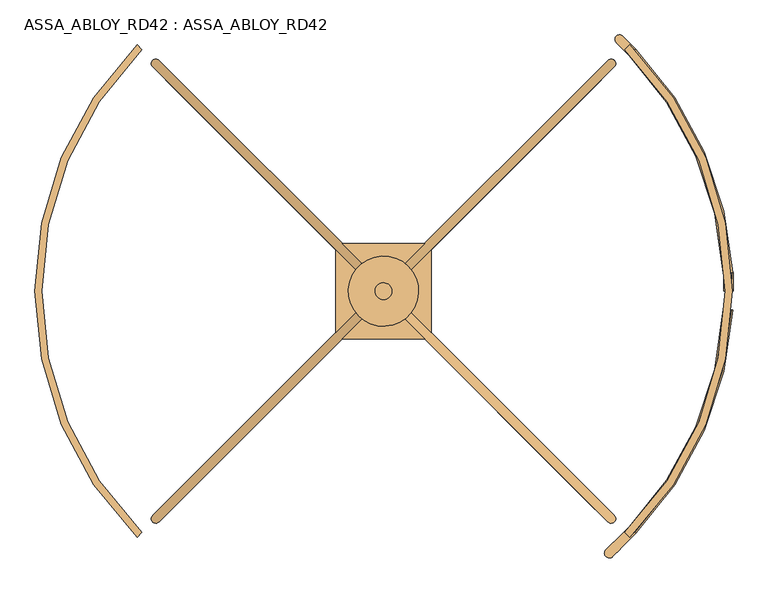
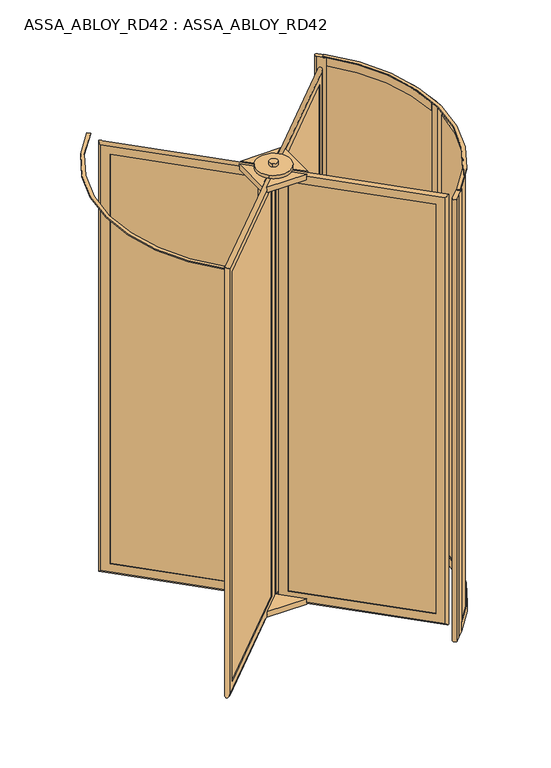
"""IFC4 building model written with IfcOpenShell, lengths in millimetres: door geometry, ASSA_ABLOY_RD42 : ASSA_ABLOY_RD42."""

from ifc_helpers import new_model, si_unit, point, frame, frame_2d, origin, origin_with_axes, place, context, project, spatial, polyline, circle_curve, ellipse_curve, trimmed, segment, composite_curve, outline, extrude, source, transform, mapped, element, save
from ifc_brep_helpers import plane_surface, cylinder_surface, revolved_surface, advanced_brep


def assa_abloy_rd42_assa_abloy_rd42_02447669(model_context):
    return source(origin(), model_context, "Body", "SolidModel", [
        advanced_brep(
        [(730.2834047, -619.4255403, 105.0), (728.1620844, -621.5468607, 105.0), (728.1620844, -621.5468607, 2673.0), (730.2834047, -619.4255403, 2673.0), (758.5676759, -619.4255403, 85.0), (744.4255403, -633.5676759, 85.0), (744.4255403, -633.5676759, 2693.0), (758.5676759, -619.4255403, 2693.0), (746.5468607, -603.1620844, 105.0), (744.4255403, -605.2834047, 105.0), (744.4255403, -605.2834047, 2673.0), (746.5468607, -603.1620844, 2673.0), (764.931637, -658.3164133, 53.0), (783.3164133, -639.931637, 53.0), (783.3164133, -639.931637, 2725.0), (764.931637, -658.3164133, 2725.0), (173.0832611, -66.4680374, 2673.0), (175.2045815, -64.3467171, 2673.0), (161.0624458, -50.2045815, 2693.0), (175.2045815, -36.0624458, 2693.0), (189.3467171, -50.2045815, 2673.0), (191.4680374, -48.0832611, 2673.0), (154.6984848, -11.3137085, 2725.0), (136.3137085, -29.6984848, 2725.0), (173.0832611, -66.4680374, 105.0), (175.2045815, -64.3467171, 105.0), (161.0624458, -50.2045815, 85.0), (175.2045815, -36.0624458, 85.0), (189.3467171, -50.2045815, 105.0), (191.4680374, -48.0832611, 105.0), (154.6984848, -11.3137085, 53.0), (136.3137085, -29.6984848, 53.0)],
        [
            (0, 1),
            (1, 2),
            (2, 3),
            (3, 0),
            (4, 5),
            (5, 6),
            (6, 7),
            (7, 4),
            (8, 9),
            (9, 10),
            (10, 11),
            (11, 8),
            (12, 13, ellipse_curve(frame((774.1240251, -649.1240251, 53.0), z_axis=(0.4999999999999917, -0.5000000000000084, 0.7071067811865475), x_axis=(0.5000000000000054, -0.4999999999999945, -0.7071067811865476)), 18.3847763, 13.0)),
            (13, 14),
            (14, 15, ellipse_curve(frame((774.1240251, -649.1240251, 2725.0), z_axis=(0.5000000000000054, -0.49999999999999456, -0.7071067811865475), x_axis=(-0.4999999999999915, 0.5000000000000083, -0.7071067811865476)), 18.3847763, 13.0)),
            (15, 12),
            (2, 16),
            (16, 17),
            (17, 3),
            (6, 18),
            (18, 19),
            (19, 7),
            (10, 20),
            (20, 21),
            (21, 11),
            (14, 22),
            (22, 23, ellipse_curve(frame((145.5060967, -20.5060967, 2725.0), z_axis=(0.4999999999999917, -0.5000000000000084, 0.7071067811865475), x_axis=(0.5000000000000054, -0.4999999999999945, -0.7071067811865476)), 18.3847763, 13.0)),
            (23, 15),
            (16, 24),
            (24, 25),
            (25, 17),
            (18, 26),
            (26, 27),
            (27, 19),
            (20, 28),
            (28, 29),
            (29, 21),
            (22, 30),
            (30, 31, ellipse_curve(frame((145.5060967, -20.5060967, 53.0), z_axis=(-0.5000000000000054, 0.49999999999999456, 0.7071067811865475), x_axis=(0.4999999999999915, -0.5000000000000083, 0.7071067811865476)), 18.3847763, 13.0)),
            (31, 23),
            (24, 1),
            (0, 25),
            (5, 26),
            (4, 27),
            (9, 28),
            (8, 29),
            (13, 30),
            (12, 31),
        ],
        [
            plane_surface(frame((728.1620844, -621.5468607, 105.0), z_axis=(-0.7071067811865437, 0.7071067811865513, 0.0), x_axis=(0.0, 0.0, 1.0))),
            plane_surface(frame((744.4255403, -633.5676759, 85.0), z_axis=(-0.7071067811865452, 0.7071067811865498, 0.0), x_axis=(0.0, 0.0, 1.0))),
            plane_surface(frame((744.4255403, -605.2834047, 105.0), z_axis=(-0.7071067811865437, 0.7071067811865513, 0.0), x_axis=(0.0, 0.0, 1.0))),
            cylinder_surface(frame((774.1240251, -649.1240251, 40.0), z_axis=(0.0, 0.0, -1.0), x_axis=(-0.7071067811865456, 0.7071067811865497, 0.0)), 13.0),
            plane_surface(frame((728.1620844, -621.5468607, 2673.0), z_axis=(0.0, 0.0, -1.0), x_axis=(-0.7071067811865455, 0.7071067811865496, 0.0))),
            plane_surface(frame((744.4255403, -633.5676759, 2693.0), z_axis=(0.0, 0.0, -1.0), x_axis=(-0.7071067811865455, 0.7071067811865496, 0.0))),
            plane_surface(frame((744.4255403, -605.2834047, 2673.0), z_axis=(0.0, 0.0, -1.0), x_axis=(-0.7071067811865455, 0.7071067811865496, 0.0))),
            cylinder_surface(frame((783.3164133, -658.3164133, 2725.0), z_axis=(0.7071067811865456, -0.7071067811865497, 0.0), x_axis=(0.0, 0.0, -1.0)), 13.0),
            plane_surface(frame((173.0832611, -66.4680374, 2673.0), z_axis=(0.7071067811865472, -0.7071067811865478, 0.0), x_axis=(0.0, 0.0, -1.0))),
            plane_surface(frame((161.0624458, -50.2045815, 2693.0), z_axis=(0.7071067811865457, -0.7071067811865493, 0.0), x_axis=(0.0, 0.0, -1.0))),
            plane_surface(frame((189.3467171, -50.2045815, 2673.0), z_axis=(0.7071067811865472, -0.7071067811865478, 0.0), x_axis=(0.0, 0.0, -1.0))),
            cylinder_surface(frame((145.5060967, -20.5060967, 2738.0), z_axis=(0.0, 0.0, 1.0), x_axis=(0.7071067811865456, -0.7071067811865497, 0.0)), 13.0),
            plane_surface(frame((173.0832611, -66.4680374, 105.0), z_axis=(0.0, 0.0, 1.0), x_axis=(0.7071067811865455, -0.7071067811865496, 0.0))),
            plane_surface(frame((175.2045815, -64.3467171, 105.0), z_axis=(0.7071067811865496, 0.7071067811865455, 0.0), x_axis=(0.7071067811865455, -0.7071067811865496, 0.0))),
            plane_surface(frame((161.0624458, -50.2045815, 85.0), z_axis=(0.0, 0.0, 1.0), x_axis=(0.7071067811865455, -0.7071067811865496, 0.0))),
            plane_surface(frame((175.2045815, -36.0624458, 85.0), z_axis=(-0.7071067811865496, -0.7071067811865455, 0.0), x_axis=(0.7071067811865455, -0.7071067811865496, 0.0))),
            plane_surface(frame((189.3467171, -50.2045815, 105.0), z_axis=(0.0, 0.0, 1.0), x_axis=(0.7071067811865455, -0.7071067811865496, 0.0))),
            plane_surface(frame((191.4680374, -48.0832611, 105.0), z_axis=(0.7071067811865496, 0.7071067811865455, 0.0), x_axis=(0.7071067811865455, -0.7071067811865496, 0.0))),
            cylinder_surface(frame((136.3137085, -11.3137085, 53.0), z_axis=(-0.7071067811865456, 0.7071067811865497, 0.0), x_axis=(0.0, 0.0, 1.0)), 13.0),
            plane_surface(frame((136.3137085, -29.6984848, 53.0), z_axis=(-0.7071067811865496, -0.7071067811865455, 0.0), x_axis=(0.7071067811865455, -0.7071067811865496, 0.0))),
        ],
        [
            (0, [[1, 2, 3, 4]]),
            (1, [[5, 6, 7, 8]]),
            (2, [[9, 10, 11, 12]]),
            (3, [[13, 14, 15, 16]]),
            (4, [[-3, 17, 18, 19]]),
            (5, [[-7, 20, 21, 22]]),
            (6, [[-11, 23, 24, 25]]),
            (7, [[-15, 26, 27, 28]]),
            (8, [[-18, 29, 30, 31]]),
            (9, [[-21, 32, 33, 34]]),
            (10, [[-24, 35, 36, 37]]),
            (11, [[-27, 38, 39, 40]]),
            (12, [[-30, 41, -1, 42]]),
            (13, [[43, -32, -20, -6], [-19, -31, -42, -4]]),
            (14, [[-33, -43, -5, 44]]),
            (15, [[-22, -34, -44, -8], [45, -35, -23, -10]]),
            (16, [[-36, -45, -9, 46]]),
            (17, [[47, -38, -26, -14], [-25, -37, -46, -12]]),
            (18, [[-39, -47, -13, 48]]),
            (19, [[-28, -40, -48, -16], [-41, -29, -17, -2]]),
        ],
    ),
        extrude(outline(polyline([(755.032142, -622.9610742), (747.9610742, -630.032142), (164.5979797, -46.6690476), (171.6690476, -39.5979797), (755.032142, -622.9610742)])), frame((0.0, 0.0, 85.0), z_axis=(0.0, 0.0, 1.0), x_axis=(1.0, 0.0, 0.0)), (0.0, 0.0, 1.0), 2608.0),
        advanced_brep(
        [(-494.4255403, -605.2834047, 105.0), (-496.5468607, -603.1620844, 105.0), (-496.5468607, -603.1620844, 2673.0), (-494.4255403, -605.2834047, 2673.0), (-494.4255403, -633.5676759, 85.0), (-508.5676759, -619.4255403, 85.0), (-508.5676759, -619.4255403, 2693.0), (-494.4255403, -633.5676759, 2693.0), (-478.1620844, -621.5468607, 105.0), (-480.2834047, -619.4255403, 105.0), (-480.2834047, -619.4255403, 2673.0), (-478.1620844, -621.5468607, 2673.0), (-533.3164133, -639.931637, 53.0), (-514.931637, -658.3164133, 53.0), (-514.931637, -658.3164133, 2725.0), (-533.3164133, -639.931637, 2725.0), (58.5319626, -48.0832611, 2673.0), (60.6532829, -50.2045815, 2673.0), (74.7954185, -36.0624458, 2693.0), (88.9375542, -50.2045815, 2693.0), (74.7954185, -64.3467171, 2673.0), (76.9167389, -66.4680374, 2673.0), (113.6862915, -29.6984848, 2725.0), (95.3015152, -11.3137085, 2725.0), (58.5319626, -48.0832611, 105.0), (60.6532829, -50.2045815, 105.0), (74.7954185, -36.0624458, 85.0), (88.9375542, -50.2045815, 85.0), (74.7954185, -64.3467171, 105.0), (76.9167389, -66.4680374, 105.0), (113.6862915, -29.6984848, 53.0), (95.3015152, -11.3137085, 53.0)],
        [
            (0, 1),
            (1, 2),
            (2, 3),
            (3, 0),
            (4, 5),
            (5, 6),
            (6, 7),
            (7, 4),
            (8, 9),
            (9, 10),
            (10, 11),
            (11, 8),
            (12, 13, ellipse_curve(frame((-524.1240251, -649.1240251, 53.0), z_axis=(-0.5000000000000089, -0.49999999999999106, 0.7071067811865475), x_axis=(-0.49999999999999495, -0.5000000000000048, -0.7071067811865476)), 18.3847763, 13.0)),
            (13, 14),
            (14, 15, ellipse_curve(frame((-524.1240251, -649.1240251, 2725.0), z_axis=(-0.49999999999999506, -0.5000000000000049, -0.7071067811865475), x_axis=(0.5000000000000088, 0.49999999999999095, -0.7071067811865476)), 18.3847763, 13.0)),
            (15, 12),
            (2, 16),
            (16, 17),
            (17, 3),
            (6, 18),
            (18, 19),
            (19, 7),
            (10, 20),
            (20, 21),
            (21, 11),
            (14, 22),
            (22, 23, ellipse_curve(frame((104.4939033, -20.5060967, 2725.0), z_axis=(-0.5000000000000089, -0.49999999999999106, 0.7071067811865475), x_axis=(-0.4999999999999951, -0.5000000000000049, -0.7071067811865474)), 18.3847763, 13.0)),
            (23, 15),
            (16, 24),
            (24, 25),
            (25, 17),
            (18, 26),
            (26, 27),
            (27, 19),
            (20, 28),
            (28, 29),
            (29, 21),
            (22, 30),
            (30, 31, ellipse_curve(frame((104.4939033, -20.5060967, 53.0), z_axis=(0.49999999999999506, 0.5000000000000049, 0.7071067811865475), x_axis=(-0.5000000000000088, -0.49999999999999095, 0.7071067811865476)), 18.3847763, 13.0)),
            (31, 23),
            (24, 1),
            (0, 25),
            (5, 26),
            (4, 27),
            (9, 28),
            (8, 29),
            (13, 30),
            (12, 31),
        ],
        [
            plane_surface(frame((-496.5468607, -603.1620844, 105.0), z_axis=(0.7071067811865521, 0.7071067811865429, 0.0), x_axis=(0.0, 0.0, 1.0))),
            plane_surface(frame((-508.5676759, -619.4255403, 85.0), z_axis=(0.7071067811865506, 0.7071067811865445, 0.0), x_axis=(0.0, 0.0, 1.0))),
            plane_surface(frame((-480.2834047, -619.4255403, 105.0), z_axis=(0.7071067811865521, 0.7071067811865429, 0.0), x_axis=(0.0, 0.0, 1.0))),
            cylinder_surface(frame((-524.1240251, -649.1240251, 40.0), z_axis=(0.0, 0.0, -1.0), x_axis=(0.7071067811865503, 0.7071067811865447, 0.0)), 13.0),
            plane_surface(frame((-496.5468607, -603.1620844, 2673.0), z_axis=(0.0, 0.0, -1.0), x_axis=(0.7071067811865503, 0.7071067811865447, 0.0))),
            plane_surface(frame((-508.5676759, -619.4255403, 2693.0), z_axis=(0.0, 0.0, -1.0), x_axis=(0.7071067811865503, 0.7071067811865447, 0.0))),
            plane_surface(frame((-480.2834047, -619.4255403, 2673.0), z_axis=(0.0, 0.0, -1.0), x_axis=(0.7071067811865503, 0.7071067811865447, 0.0))),
            cylinder_surface(frame((-533.3164133, -658.3164133, 2725.0), z_axis=(-0.7071067811865503, -0.7071067811865447, 0.0), x_axis=(0.0, 0.0, -1.0)), 13.0),
            plane_surface(frame((58.5319626, -48.0832611, 2673.0), z_axis=(-0.7071067811865486, -0.7071067811865465, 0.0), x_axis=(0.0, 0.0, -1.0))),
            plane_surface(frame((74.7954185, -36.0624458, 2693.0), z_axis=(-0.7071067811865501, -0.7071067811865449, 0.0), x_axis=(0.0, 0.0, -1.0))),
            plane_surface(frame((74.7954185, -64.3467171, 2673.0), z_axis=(-0.7071067811865486, -0.7071067811865465, 0.0), x_axis=(0.0, 0.0, -1.0))),
            cylinder_surface(frame((104.4939033, -20.5060967, 2738.0), z_axis=(0.0, 0.0, 1.0), x_axis=(-0.7071067811865503, -0.7071067811865447, 0.0)), 13.0),
            plane_surface(frame((58.5319626, -48.0832611, 105.0), z_axis=(0.0, 0.0, 1.0), x_axis=(-0.7071067811865503, -0.7071067811865447, 0.0))),
            plane_surface(frame((60.6532829, -50.2045815, 105.0), z_axis=(0.7071067811865447, -0.7071067811865503, 0.0), x_axis=(-0.7071067811865503, -0.7071067811865447, 0.0))),
            plane_surface(frame((74.7954185, -36.0624458, 85.0), z_axis=(0.0, 0.0, 1.0), x_axis=(-0.7071067811865503, -0.7071067811865447, 0.0))),
            plane_surface(frame((88.9375542, -50.2045815, 85.0), z_axis=(-0.7071067811865447, 0.7071067811865503, 0.0), x_axis=(-0.7071067811865503, -0.7071067811865447, 0.0))),
            plane_surface(frame((74.7954185, -64.3467171, 105.0), z_axis=(0.0, 0.0, 1.0), x_axis=(-0.7071067811865503, -0.7071067811865447, 0.0))),
            plane_surface(frame((76.9167389, -66.4680374, 105.0), z_axis=(0.7071067811865447, -0.7071067811865503, 0.0), x_axis=(-0.7071067811865503, -0.7071067811865447, 0.0))),
            cylinder_surface(frame((113.6862915, -11.3137085, 53.0), z_axis=(0.7071067811865503, 0.7071067811865447, 0.0), x_axis=(0.0, 0.0, 1.0)), 13.0),
            plane_surface(frame((95.3015152, -11.3137085, 53.0), z_axis=(-0.7071067811865447, 0.7071067811865503, 0.0), x_axis=(-0.7071067811865503, -0.7071067811865447, 0.0))),
        ],
        [
            (0, [[1, 2, 3, 4]]),
            (1, [[5, 6, 7, 8]]),
            (2, [[9, 10, 11, 12]]),
            (3, [[13, 14, 15, 16]]),
            (4, [[-3, 17, 18, 19]]),
            (5, [[-7, 20, 21, 22]]),
            (6, [[-11, 23, 24, 25]]),
            (7, [[-15, 26, 27, 28]]),
            (8, [[-18, 29, 30, 31]]),
            (9, [[-21, 32, 33, 34]]),
            (10, [[-24, 35, 36, 37]]),
            (11, [[-27, 38, 39, 40]]),
            (12, [[-30, 41, -1, 42]]),
            (13, [[43, -32, -20, -6], [-19, -31, -42, -4]]),
            (14, [[-33, -43, -5, 44]]),
            (15, [[-22, -34, -44, -8], [45, -35, -23, -10]]),
            (16, [[-36, -45, -9, 46]]),
            (17, [[47, -38, -26, -14], [-25, -37, -46, -12]]),
            (18, [[-39, -47, -13, 48]]),
            (19, [[-28, -40, -48, -16], [-41, -29, -17, -2]]),
        ],
    ),
        extrude(outline(polyline([(-497.9610742, -630.032142), (-505.032142, -622.9610742), (78.3309524, -39.5979797), (85.4020203, -46.6690476), (-497.9610742, -630.032142)])), frame((0.0, 0.0, 85.0), z_axis=(0.0, 0.0, 1.0), x_axis=(1.0, 0.0, 0.0)), (0.0, 0.0, 1.0), 2608.0),
        advanced_brep(
        [(-480.2834047, 619.4255403, 105.0), (-478.1620844, 621.5468607, 105.0), (-478.1620844, 621.5468607, 2673.0), (-480.2834047, 619.4255403, 2673.0), (-508.5676759, 619.4255403, 85.0), (-494.4255403, 633.5676759, 85.0), (-494.4255403, 633.5676759, 2693.0), (-508.5676759, 619.4255403, 2693.0), (-496.5468607, 603.1620844, 105.0), (-494.4255403, 605.2834047, 105.0), (-494.4255403, 605.2834047, 2673.0), (-496.5468607, 603.1620844, 2673.0), (-514.931637, 658.3164133, 53.0), (-533.3164133, 639.931637, 53.0), (-533.3164133, 639.931637, 2725.0), (-514.931637, 658.3164133, 2725.0), (76.9167389, 66.4680374, 2673.0), (74.7954185, 64.3467171, 2673.0), (88.9375542, 50.2045815, 2693.0), (74.7954185, 36.0624458, 2693.0), (60.6532829, 50.2045815, 2673.0), (58.5319626, 48.0832611, 2673.0), (95.3015152, 11.3137085, 2725.0), (113.6862915, 29.6984848, 2725.0), (76.9167389, 66.4680374, 105.0), (74.7954185, 64.3467171, 105.0), (88.9375542, 50.2045815, 85.0), (74.7954185, 36.0624458, 85.0), (60.6532829, 50.2045815, 105.0), (58.5319626, 48.0832611, 105.0), (95.3015152, 11.3137085, 53.0), (113.6862915, 29.6984848, 53.0)],
        [
            (0, 1),
            (1, 2),
            (2, 3),
            (3, 0),
            (4, 5),
            (5, 6),
            (6, 7),
            (7, 4),
            (8, 9),
            (9, 10),
            (10, 11),
            (11, 8),
            (12, 13, ellipse_curve(frame((-524.1240251, 649.1240251, 53.0), z_axis=(-0.4999999999999913, 0.5000000000000087, 0.7071067811865475), x_axis=(-0.500000000000005, 0.4999999999999947, -0.7071067811865476)), 18.3847763, 13.0)),
            (13, 14),
            (14, 15, ellipse_curve(frame((-524.1240251, 649.1240251, 2725.0), z_axis=(-0.5000000000000051, 0.4999999999999948, -0.7071067811865475), x_axis=(0.4999999999999912, -0.5000000000000085, -0.7071067811865476)), 18.3847763, 13.0)),
            (15, 12),
            (2, 16),
            (16, 17),
            (17, 3),
            (6, 18),
            (18, 19),
            (19, 7),
            (10, 20),
            (20, 21),
            (21, 11),
            (14, 22),
            (22, 23, ellipse_curve(frame((104.4939033, 20.5060967, 2725.0), z_axis=(-0.4999999999999913, 0.5000000000000087, 0.7071067811865475), x_axis=(-0.5000000000000052, 0.49999999999999495, -0.7071067811865475)), 18.3847763, 13.0)),
            (23, 15),
            (16, 24),
            (24, 25),
            (25, 17),
            (18, 26),
            (26, 27),
            (27, 19),
            (20, 28),
            (28, 29),
            (29, 21),
            (22, 30),
            (30, 31, ellipse_curve(frame((104.4939033, 20.5060967, 53.0), z_axis=(0.5000000000000051, -0.4999999999999948, 0.7071067811865475), x_axis=(-0.4999999999999912, 0.5000000000000085, 0.7071067811865476)), 18.3847763, 13.0)),
            (31, 23),
            (24, 1),
            (0, 25),
            (5, 26),
            (4, 27),
            (9, 28),
            (8, 29),
            (13, 30),
            (12, 31),
        ],
        [
            plane_surface(frame((-478.1620844, 621.5468607, 105.0), z_axis=(0.7071067811865432, -0.7071067811865518, 0.0), x_axis=(0.0, 0.0, 1.0))),
            plane_surface(frame((-494.4255403, 633.5676759, 85.0), z_axis=(0.7071067811865448, -0.7071067811865502, 0.0), x_axis=(0.0, 0.0, 1.0))),
            plane_surface(frame((-494.4255403, 605.2834047, 105.0), z_axis=(0.7071067811865432, -0.7071067811865518, 0.0), x_axis=(0.0, 0.0, 1.0))),
            cylinder_surface(frame((-524.1240251, 649.1240251, 40.0), z_axis=(0.0, 0.0, -1.0), x_axis=(0.707106781186545, -0.70710678118655, 0.0)), 13.0),
            plane_surface(frame((-478.1620844, 621.5468607, 2673.0), z_axis=(0.0, 0.0, -1.0), x_axis=(0.707106781186545, -0.70710678118655, 0.0))),
            plane_surface(frame((-494.4255403, 633.5676759, 2693.0), z_axis=(0.0, 0.0, -1.0), x_axis=(0.707106781186545, -0.70710678118655, 0.0))),
            plane_surface(frame((-494.4255403, 605.2834047, 2673.0), z_axis=(0.0, 0.0, -1.0), x_axis=(0.707106781186545, -0.70710678118655, 0.0))),
            cylinder_surface(frame((-533.3164133, 658.3164133, 2725.0), z_axis=(-0.707106781186545, 0.70710678118655, 0.0), x_axis=(0.0, 0.0, -1.0)), 13.0),
            plane_surface(frame((76.9167389, 66.4680374, 2673.0), z_axis=(-0.7071067811865468, 0.7071067811865482, 0.0), x_axis=(0.0, 0.0, -1.0))),
            plane_surface(frame((88.9375542, 50.2045815, 2693.0), z_axis=(-0.7071067811865452, 0.7071067811865498, 0.0), x_axis=(0.0, 0.0, -1.0))),
            plane_surface(frame((60.6532829, 50.2045815, 2673.0), z_axis=(-0.7071067811865468, 0.7071067811865482, 0.0), x_axis=(0.0, 0.0, -1.0))),
            cylinder_surface(frame((104.4939033, 20.5060967, 2738.0), z_axis=(0.0, 0.0, 1.0), x_axis=(-0.707106781186545, 0.70710678118655, 0.0)), 13.0),
            plane_surface(frame((76.9167389, 66.4680374, 105.0), z_axis=(0.0, 0.0, 1.0), x_axis=(-0.707106781186545, 0.70710678118655, 0.0))),
            plane_surface(frame((74.7954185, 64.3467171, 105.0), z_axis=(-0.70710678118655, -0.707106781186545, 0.0), x_axis=(-0.707106781186545, 0.70710678118655, 0.0))),
            plane_surface(frame((88.9375542, 50.2045815, 85.0), z_axis=(0.0, 0.0, 1.0), x_axis=(-0.707106781186545, 0.70710678118655, 0.0))),
            plane_surface(frame((74.7954185, 36.0624458, 85.0), z_axis=(0.70710678118655, 0.707106781186545, 0.0), x_axis=(-0.707106781186545, 0.70710678118655, 0.0))),
            plane_surface(frame((60.6532829, 50.2045815, 105.0), z_axis=(0.0, 0.0, 1.0), x_axis=(-0.707106781186545, 0.70710678118655, 0.0))),
            plane_surface(frame((58.5319626, 48.0832611, 105.0), z_axis=(-0.70710678118655, -0.707106781186545, 0.0), x_axis=(-0.707106781186545, 0.70710678118655, 0.0))),
            cylinder_surface(frame((113.6862915, 11.3137085, 53.0), z_axis=(0.707106781186545, -0.70710678118655, 0.0), x_axis=(0.0, 0.0, 1.0)), 13.0),
            plane_surface(frame((113.6862915, 29.6984848, 53.0), z_axis=(0.70710678118655, 0.707106781186545, 0.0), x_axis=(-0.707106781186545, 0.70710678118655, 0.0))),
        ],
        [
            (0, [[1, 2, 3, 4]]),
            (1, [[5, 6, 7, 8]]),
            (2, [[9, 10, 11, 12]]),
            (3, [[13, 14, 15, 16]]),
            (4, [[-3, 17, 18, 19]]),
            (5, [[-7, 20, 21, 22]]),
            (6, [[-11, 23, 24, 25]]),
            (7, [[-15, 26, 27, 28]]),
            (8, [[-18, 29, 30, 31]]),
            (9, [[-21, 32, 33, 34]]),
            (10, [[-24, 35, 36, 37]]),
            (11, [[-27, 38, 39, 40]]),
            (12, [[-30, 41, -1, 42]]),
            (13, [[43, -32, -20, -6], [-19, -31, -42, -4]]),
            (14, [[-33, -43, -5, 44]]),
            (15, [[-22, -34, -44, -8], [45, -35, -23, -10]]),
            (16, [[-36, -45, -9, 46]]),
            (17, [[47, -38, -26, -14], [-25, -37, -46, -12]]),
            (18, [[-39, -47, -13, 48]]),
            (19, [[-28, -40, -48, -16], [-41, -29, -17, -2]]),
        ],
    ),
        extrude(outline(polyline([(-505.032142, 622.9610742), (-497.9610742, 630.032142), (85.4020203, 46.6690476), (78.3309524, 39.5979797), (-505.032142, 622.9610742)])), frame((0.0, 0.0, 85.0), z_axis=(0.0, 0.0, 1.0), x_axis=(1.0, 0.0, 0.0)), (0.0, 0.0, 1.0), 2608.0),
        advanced_brep(
        [(744.4255403, 605.2834047, 105.0), (746.5468607, 603.1620844, 105.0), (746.5468607, 603.1620844, 2673.0), (744.4255403, 605.2834047, 2673.0), (744.4255403, 633.5676759, 85.0), (758.5676759, 619.4255403, 85.0), (758.5676759, 619.4255403, 2693.0), (744.4255403, 633.5676759, 2693.0), (728.1620844, 621.5468607, 105.0), (730.2834047, 619.4255403, 105.0), (730.2834047, 619.4255403, 2673.0), (728.1620844, 621.5468607, 2673.0), (783.3164133, 639.931637, 53.0), (764.931637, 658.3164133, 53.0), (764.931637, 658.3164133, 2725.0), (783.3164133, 639.931637, 2725.0), (191.4680374, 48.0832611, 2673.0), (189.3467171, 50.2045815, 2673.0), (175.2045815, 36.0624458, 2693.0), (161.0624458, 50.2045815, 2693.0), (175.2045815, 64.3467171, 2673.0), (173.0832611, 66.4680374, 2673.0), (136.3137085, 29.6984848, 2725.0), (154.6984848, 11.3137085, 2725.0), (191.4680374, 48.0832611, 105.0), (189.3467171, 50.2045815, 105.0), (175.2045815, 36.0624458, 85.0), (161.0624458, 50.2045815, 85.0), (175.2045815, 64.3467171, 105.0), (173.0832611, 66.4680374, 105.0), (136.3137085, 29.6984848, 53.0), (154.6984848, 11.3137085, 53.0)],
        [
            (0, 1),
            (1, 2),
            (2, 3),
            (3, 0),
            (4, 5),
            (5, 6),
            (6, 7),
            (7, 4),
            (8, 9),
            (9, 10),
            (10, 11),
            (11, 8),
            (12, 13, ellipse_curve(frame((774.1240251, 649.1240251, 53.0), z_axis=(0.5000000000000073, 0.4999999999999926, 0.7071067811865475), x_axis=(0.4999999999999934, 0.5000000000000063, -0.7071067811865476)), 18.3847763, 13.0)),
            (13, 14),
            (14, 15, ellipse_curve(frame((774.1240251, 649.1240251, 2725.0), z_axis=(0.49999999999999345, 0.5000000000000064, -0.7071067811865475), x_axis=(-0.5000000000000072, -0.4999999999999925, -0.7071067811865476)), 18.3847763, 13.0)),
            (15, 12),
            (2, 16),
            (16, 17),
            (17, 3),
            (6, 18),
            (18, 19),
            (19, 7),
            (10, 20),
            (20, 21),
            (21, 11),
            (14, 22),
            (22, 23, ellipse_curve(frame((145.5060967, 20.5060967, 2725.0), z_axis=(0.5000000000000073, 0.4999999999999926, 0.7071067811865475), x_axis=(0.4999999999999936, 0.5000000000000066, -0.7071067811865475)), 18.3847763, 13.0)),
            (23, 15),
            (16, 24),
            (24, 25),
            (25, 17),
            (18, 26),
            (26, 27),
            (27, 19),
            (20, 28),
            (28, 29),
            (29, 21),
            (22, 30),
            (30, 31, ellipse_curve(frame((145.5060967, 20.5060967, 53.0), z_axis=(-0.49999999999999345, -0.5000000000000064, 0.7071067811865475), x_axis=(0.5000000000000072, 0.4999999999999925, 0.7071067811865476)), 18.3847763, 13.0)),
            (31, 23),
            (24, 1),
            (0, 25),
            (5, 26),
            (4, 27),
            (9, 28),
            (8, 29),
            (13, 30),
            (12, 31),
        ],
        [
            plane_surface(frame((746.5468607, 603.1620844, 105.0), z_axis=(-0.7071067811865499, -0.7071067811865451, 0.0), x_axis=(0.0, 0.0, 1.0))),
            plane_surface(frame((758.5676759, 619.4255403, 85.0), z_axis=(-0.7071067811865483, -0.7071067811865467, 0.0), x_axis=(0.0, 0.0, 1.0))),
            plane_surface(frame((730.2834047, 619.4255403, 105.0), z_axis=(-0.7071067811865499, -0.7071067811865451, 0.0), x_axis=(0.0, 0.0, 1.0))),
            cylinder_surface(frame((774.1240251, 649.1240251, 40.0), z_axis=(0.0, 0.0, -1.0), x_axis=(-0.7071067811865481, -0.7071067811865469, 0.0)), 13.0),
            plane_surface(frame((746.5468607, 603.1620844, 2673.0), z_axis=(0.0, 0.0, -1.0), x_axis=(-0.7071067811865481, -0.7071067811865469, 0.0))),
            plane_surface(frame((758.5676759, 619.4255403, 2693.0), z_axis=(0.0, 0.0, -1.0), x_axis=(-0.7071067811865481, -0.7071067811865469, 0.0))),
            plane_surface(frame((730.2834047, 619.4255403, 2673.0), z_axis=(0.0, 0.0, -1.0), x_axis=(-0.7071067811865481, -0.7071067811865469, 0.0))),
            cylinder_surface(frame((783.3164133, 658.3164133, 2725.0), z_axis=(0.7071067811865481, 0.7071067811865469, 0.0), x_axis=(0.0, 0.0, -1.0)), 13.0),
            plane_surface(frame((191.4680374, 48.0832611, 2673.0), z_axis=(0.7071067811865464, 0.7071067811865487, 0.0), x_axis=(0.0, 0.0, -1.0))),
            plane_surface(frame((175.2045815, 36.0624458, 2693.0), z_axis=(0.7071067811865479, 0.7071067811865471, 0.0), x_axis=(0.0, 0.0, -1.0))),
            plane_surface(frame((175.2045815, 64.3467171, 2673.0), z_axis=(0.7071067811865464, 0.7071067811865487, 0.0), x_axis=(0.0, 0.0, -1.0))),
            cylinder_surface(frame((145.5060967, 20.5060967, 2738.0), z_axis=(0.0, 0.0, 1.0), x_axis=(0.7071067811865481, 0.7071067811865469, 0.0)), 13.0),
            plane_surface(frame((191.4680374, 48.0832611, 105.0), z_axis=(0.0, 0.0, 1.0), x_axis=(0.7071067811865481, 0.7071067811865469, 0.0))),
            plane_surface(frame((189.3467171, 50.2045815, 105.0), z_axis=(-0.7071067811865469, 0.7071067811865481, 0.0), x_axis=(0.7071067811865481, 0.7071067811865469, 0.0))),
            plane_surface(frame((175.2045815, 36.0624458, 85.0), z_axis=(0.0, 0.0, 1.0), x_axis=(0.7071067811865481, 0.7071067811865469, 0.0))),
            plane_surface(frame((161.0624458, 50.2045815, 85.0), z_axis=(0.7071067811865469, -0.7071067811865481, 0.0), x_axis=(0.7071067811865481, 0.7071067811865469, 0.0))),
            plane_surface(frame((175.2045815, 64.3467171, 105.0), z_axis=(0.0, 0.0, 1.0), x_axis=(0.7071067811865481, 0.7071067811865469, 0.0))),
            plane_surface(frame((173.0832611, 66.4680374, 105.0), z_axis=(-0.7071067811865469, 0.7071067811865481, 0.0), x_axis=(0.7071067811865481, 0.7071067811865469, 0.0))),
            cylinder_surface(frame((136.3137085, 11.3137085, 53.0), z_axis=(-0.7071067811865481, -0.7071067811865469, 0.0), x_axis=(0.0, 0.0, 1.0)), 13.0),
            plane_surface(frame((154.6984848, 11.3137085, 53.0), z_axis=(0.7071067811865469, -0.7071067811865481, 0.0), x_axis=(0.7071067811865481, 0.7071067811865469, 0.0))),
        ],
        [
            (0, [[1, 2, 3, 4]]),
            (1, [[5, 6, 7, 8]]),
            (2, [[9, 10, 11, 12]]),
            (3, [[13, 14, 15, 16]]),
            (4, [[-3, 17, 18, 19]]),
            (5, [[-7, 20, 21, 22]]),
            (6, [[-11, 23, 24, 25]]),
            (7, [[-15, 26, 27, 28]]),
            (8, [[-18, 29, 30, 31]]),
            (9, [[-21, 32, 33, 34]]),
            (10, [[-24, 35, 36, 37]]),
            (11, [[-27, 38, 39, 40]]),
            (12, [[-30, 41, -1, 42]]),
            (13, [[43, -32, -20, -6], [-19, -31, -42, -4]]),
            (14, [[-33, -43, -5, 44]]),
            (15, [[-22, -34, -44, -8], [45, -35, -23, -10]]),
            (16, [[-36, -45, -9, 46]]),
            (17, [[47, -38, -26, -14], [-25, -37, -46, -12]]),
            (18, [[-39, -47, -13, 48]]),
            (19, [[-28, -40, -48, -16], [-41, -29, -17, -2]]),
        ],
    ),
        extrude(outline(polyline([(747.9610742, 630.032142), (755.032142, 622.9610742), (171.6690476, 39.5979797), (164.5979797, 46.6690476), (747.9610742, 630.032142)])), frame((0.0, 0.0, 85.0), z_axis=(0.0, 0.0, 1.0), x_axis=(1.0, 0.0, 0.0)), (0.0, 0.0, 1.0), 2608.0),
        extrude(outline(composite_curve([segment(trimmed(circle_curve(frame_2d((125.0, 0.0)), 24.0), [point((108.0294373, -16.9705627))], [point((141.9705627, 16.9705627))], False, "CARTESIAN"), True, "CONTINUOUS"), segment(trimmed(circle_curve(frame_2d((125.0, 0.0)), 24.0), [point((141.9705627, 16.9705627))], [point((108.0294373, -16.9705627))], False, "CARTESIAN"), True, "CONTINUOUS")], self_intersect=False)), origin_with_axes(), (0.0, 0.0, 1.0), 20.0),
        extrude(outline(composite_curve([segment(trimmed(circle_curve(frame_2d((125.0, 0.0)), 100.0), [point((54.2893219, -70.7106781))], [point((195.7106781, 70.7106781))], False, "CARTESIAN"), True, "CONTINUOUS"), segment(trimmed(circle_curve(frame_2d((125.0, 0.0)), 100.0), [point((195.7106781, 70.7106781))], [point((54.2893219, -70.7106781))], False, "CARTESIAN"), True, "CONTINUOUS")], self_intersect=False)), frame((0.0, 0.0, 20.0), z_axis=(0.0, 0.0, 1.0), x_axis=(1.0, 0.0, 0.0)), (0.0, 0.0, 1.0), 20.0),
        extrude(outline(composite_curve([segment(trimmed(circle_curve(frame_2d((125.0, 0.0)), 24.0), [point((141.9705627, 16.9705627))], [point((108.0294373, -16.9705627))], False, "CARTESIAN"), True, "CONTINUOUS"), segment(trimmed(circle_curve(frame_2d((125.0, 0.0)), 24.0), [point((108.0294373, -16.9705627))], [point((141.9705627, 16.9705627))], False, "CARTESIAN"), True, "CONTINUOUS")], self_intersect=False)), frame((0.0, 0.0, 2758.0), z_axis=(0.0, 0.0, 1.0), x_axis=(1.0, 0.0, 0.0)), (0.0, 0.0, 1.0), 20.0),
        extrude(outline(composite_curve([segment(trimmed(circle_curve(frame_2d((125.0, 0.0)), 100.0), [point((195.7106781, 70.7106781))], [point((54.2893219, -70.7106781))], False, "CARTESIAN"), True, "CONTINUOUS"), segment(trimmed(circle_curve(frame_2d((125.0, 0.0)), 100.0), [point((54.2893219, -70.7106781))], [point((195.7106781, 70.7106781))], False, "CARTESIAN"), True, "CONTINUOUS")], self_intersect=False)), frame((0.0, 0.0, 2738.0), z_axis=(0.0, 0.0, 1.0), x_axis=(1.0, 0.0, 0.0)), (0.0, 0.0, 1.0), 20.0),
        extrude(outline(composite_curve([segment(trimmed(circle_curve(frame_2d((125.0, 0.0)), 12.5), [point((116.1611652, -8.8388348))], [point((133.8388348, 8.8388348))], False, "CARTESIAN"), True, "CONTINUOUS"), segment(trimmed(circle_curve(frame_2d((125.0, 0.0)), 12.5), [point((133.8388348, 8.8388348))], [point((116.1611652, -8.8388348))], False, "CARTESIAN"), True, "CONTINUOUS")], self_intersect=False)), origin_with_axes(), (0.0, 0.0, 1.0), 2723.0),
        extrude(outline(polyline([(-11.0, 117.6152237), (106.6152237, 0.0), (-11.0, -117.6152237), (-11.0, 117.6152237)])), frame((0.0, 0.0, 2703.0), z_axis=(0.0, 0.0, 1.0), x_axis=(1.0, 0.0, 0.0)), (0.0, 0.0, 1.0), 35.0),
        extrude(outline(polyline([(7.3847763, -136.0), (125.0, -18.3847763), (242.6152237, -136.0), (7.3847763, -136.0)])), frame((0.0, 0.0, 2703.0), z_axis=(0.0, 0.0, 1.0), x_axis=(1.0, 0.0, 0.0)), (0.0, 0.0, 1.0), 35.0),
        extrude(outline(polyline([(261.0, -117.6152237), (143.3847763, 0.0), (261.0, 117.6152237), (261.0, -117.6152237)])), frame((0.0, 0.0, 2703.0), z_axis=(0.0, 0.0, 1.0), x_axis=(1.0, 0.0, 0.0)), (0.0, 0.0, 1.0), 35.0),
        extrude(outline(polyline([(242.6152237, 136.0), (125.0, 18.3847763), (7.3847763, 136.0), (242.6152237, 136.0)])), frame((0.0, 0.0, 2703.0), z_axis=(0.0, 0.0, 1.0), x_axis=(1.0, 0.0, 0.0)), (0.0, 0.0, 1.0), 35.0),
        extrude(outline(polyline([(-11.0, 117.6152237), (106.6152237, 0.0), (-11.0, -117.6152237), (-11.0, 117.6152237)])), frame((0.0, 0.0, 40.0), z_axis=(0.0, 0.0, 1.0), x_axis=(1.0, 0.0, 0.0)), (0.0, 0.0, 1.0), 35.0),
        extrude(outline(polyline([(7.3847763, -136.0), (125.0, -18.3847763), (242.6152237, -136.0), (7.3847763, -136.0)])), frame((0.0, 0.0, 40.0), z_axis=(0.0, 0.0, 1.0), x_axis=(1.0, 0.0, 0.0)), (0.0, 0.0, 1.0), 35.0),
        extrude(outline(polyline([(261.0, -117.6152237), (143.3847763, 0.0), (261.0, 117.6152237), (261.0, -117.6152237)])), frame((0.0, 0.0, 40.0), z_axis=(0.0, 0.0, 1.0), x_axis=(1.0, 0.0, 0.0)), (0.0, 0.0, 1.0), 35.0),
        extrude(outline(polyline([(242.6152237, 136.0), (125.0, 18.3847763), (7.3847763, 136.0), (242.6152237, 136.0)])), frame((0.0, 0.0, 40.0), z_axis=(0.0, 0.0, 1.0), x_axis=(1.0, 0.0, 0.0)), (0.0, 0.0, 1.0), 35.0),
        extrude(outline(composite_curve([segment(trimmed(circle_curve(frame_2d((125.0, 0.0)), 974.0), [point((-563.7220049, 688.7220049))], [point((-563.7220049, -688.7220049))], True, "CARTESIAN"), True, "CONTINUOUS"), segment(polyline([(-563.7220049, -688.7220049), (-577.8641405, -702.8641405)]), True, "CONTINUOUS"), segment(trimmed(circle_curve(frame_2d((125.0, 0.0)), 994.0), [point((-577.8641405, -702.8641405))], [point((-577.8641405, 702.8641405))], False, "CARTESIAN"), True, "CONTINUOUS"), segment(polyline([(-577.8641405, 702.8641405), (-563.7220049, 688.7220049)]), True, "CONTINUOUS")], self_intersect=False)), frame((0.0, 0.0, 2773.0), z_axis=(0.0, 0.0, 1.0), x_axis=(1.0, 0.0, 0.0)), (0.0, 0.0, 1.0), 5.0),
        extrude(outline(composite_curve([segment(trimmed(circle_curve(frame_2d((125.0, 0.0)), 994.0), [point((827.8641405, 702.8641405))], [point((827.8641405, -702.8641405))], False, "CARTESIAN"), True, "CONTINUOUS"), segment(polyline([(827.8641405, -702.8641405), (813.7220049, -688.7220049)]), True, "CONTINUOUS"), segment(trimmed(circle_curve(frame_2d((125.0, 0.0)), 974.0), [point((813.7220049, -688.7220049))], [point((813.7220049, 688.7220049))], True, "CARTESIAN"), True, "CONTINUOUS"), segment(polyline([(813.7220049, 688.7220049), (827.8641405, 702.8641405)]), True, "CONTINUOUS")], self_intersect=False)), frame((0.0, 0.0, 2773.0), z_axis=(0.0, 0.0, 1.0), x_axis=(1.0, 0.0, 0.0)), (0.0, 0.0, 1.0), 5.0),
        extrude(outline(composite_curve([segment(trimmed(circle_curve(frame_2d((125.0, 0.0)), 989.0), [point((824.3286066, 699.3286066))], [point((1113.4436781, 33.1676829))], False, "CARTESIAN"), True, "CONTINUOUS"), segment(polyline([(1113.4436781, 33.1676829), (1103.4493032, 32.8323171)]), True, "CONTINUOUS"), segment(trimmed(circle_curve(frame_2d((125.0, 0.0)), 979.0), [point((1103.4493032, 32.8323171))], [point((817.2575388, 692.2575388))], True, "CARTESIAN"), True, "CONTINUOUS"), segment(polyline([(817.2575388, 692.2575388), (824.3286066, 699.3286066)]), True, "CONTINUOUS")], self_intersect=False)), frame((0.0, 0.0, 33.0), z_axis=(0.0, 0.0, 1.0), x_axis=(1.0, 0.0, 0.0)), (0.0, 0.0, 1.0), 2715.0),
        extrude(outline(composite_curve([segment(trimmed(circle_curve(frame_2d((125.0, 0.0)), 989.0), [point((1113.4436781, -33.1676829))], [point((824.3286066, -699.3286066))], False, "CARTESIAN"), True, "CONTINUOUS"), segment(polyline([(824.3286066, -699.3286066), (817.2575388, -692.2575388)]), True, "CONTINUOUS"), segment(trimmed(circle_curve(frame_2d((125.0, 0.0)), 979.0), [point((817.2575388, -692.2575388))], [point((1103.4493032, -32.8323171))], True, "CARTESIAN"), True, "CONTINUOUS"), segment(polyline([(1103.4493032, -32.8323171), (1113.4436781, -33.1676829)]), True, "CONTINUOUS")], self_intersect=False)), frame((0.0, 0.0, 33.0), z_axis=(0.0, 0.0, 1.0), x_axis=(1.0, 0.0, 0.0)), (0.0, 0.0, 1.0), 2715.0),
        extrude(outline(composite_curve([segment(polyline([(827.863883, -702.863883), (842.0060186, -688.7217474), (844.1270815, -690.8428103), (799.5793543, -735.3905375), (800.2864632, -736.0976464), (779.0719672, -757.3121425)]), True, "CONTINUOUS"), segment(trimmed(circle_curve(frame_2d((769.1727276, -747.4129028)), 13.9996389), [point((779.0719672, -757.3121425))], [point((759.273488, -737.5136632))], False, "CARTESIAN"), True, "CONTINUOUS"), segment(polyline([(759.273488, -737.5136632), (780.487984, -716.2991672), (781.1950929, -717.0062761), (825.7428202, -672.4585489), (827.863883, -674.5796118), (813.7217474, -688.7217474), (827.863883, -702.863883)]), True, "CONTINUOUS")], self_intersect=False)), origin_with_axes(), (0.0, 0.0, 1.0), 2773.0),
        extrude(outline(composite_curve([segment(polyline([(827.863883, 702.863883), (813.7217474, 688.7217474), (827.863883, 674.5796118), (825.7428202, 672.4585489), (788.9730099, 709.2283592)]), True, "CONTINUOUS"), segment(trimmed(circle_curve(frame_2d((798.1651406, 718.4204898)), 12.9996359), [point((788.9730099, 709.2283592))], [point((807.3572713, 727.6126205))], False, "CARTESIAN"), True, "CONTINUOUS"), segment(polyline([(807.3572713, 727.6126205), (844.1270815, 690.8428103), (842.0060186, 688.7217474), (827.863883, 702.863883)]), True, "CONTINUOUS")], self_intersect=False)), origin_with_axes(), (0.0, 0.0, 1.0), 2773.0),
        advanced_brep(
        [(825.2358565, 672.6891892, 0.0), (825.2358565, 672.6891892, 53.0), (827.3993041, 674.7675286, 53.0), (827.3993041, 674.7675286, 33.0), (841.8222877, 688.6231246, 33.0), (841.8222877, 688.6231246, 53.0), (843.9857353, 690.701464, 53.0), (843.9857353, 690.701464, 0.0), (1094.6270403, 51.6178536, 0.0), (1120.5902772, 53.0, 0.0), (1120.5902772, 53.0, 53.0), (1117.5945191, 52.8405216, 53.0), (1117.5945191, 52.8405216, 33.0), (1097.6227984, 51.777332, 33.0), (1097.6227984, 51.777332, 53.0), (1094.6270403, 51.6178536, 53.0)],
        [
            (0, 1),
            (1, 2),
            (2, 3),
            (3, 4),
            (4, 5),
            (5, 6),
            (6, 7),
            (7, 0),
            (8, 9),
            (9, 10),
            (10, 11),
            (11, 12),
            (12, 13),
            (13, 14),
            (14, 15),
            (15, 8),
            (15, 1, circle_curve(frame((125.0, 0.0, 53.0), z_axis=(0.0, 0.0, 1.0), x_axis=(0.7211491828452432, 0.6927798034596837, 0.0)), 971.0)),
            (0, 8, circle_curve(frame((125.0, 0.0, 0.0), z_axis=(0.0, 0.0, -1.0), x_axis=(0.7211491828452432, 0.6927798034596837, 0.0)), 971.0)),
            (14, 2, circle_curve(frame((125.0, 0.0, 53.0), z_axis=(0.0, 0.0, 1.0), x_axis=(0.7211491828452432, 0.6927798034596837, 0.0)), 974.0)),
            (13, 3, circle_curve(frame((125.0, 0.0, 33.0), z_axis=(0.0, 0.0, 1.0), x_axis=(0.7211491828452432, 0.6927798034596837, 0.0)), 974.0)),
            (12, 4, circle_curve(frame((125.0, 0.0, 33.0), z_axis=(0.0, 0.0, 1.0), x_axis=(0.7211491828452432, 0.6927798034596837, 0.0)), 994.0)),
            (11, 5, circle_curve(frame((125.0, 0.0, 53.0), z_axis=(0.0, 0.0, 1.0), x_axis=(0.7211491828452432, 0.6927798034596837, 0.0)), 994.0)),
            (10, 6, circle_curve(frame((125.0, 0.0, 53.0), z_axis=(0.0, 0.0, 1.0), x_axis=(0.7211491828452432, 0.6927798034596837, 0.0)), 997.0)),
            (9, 7, circle_curve(frame((125.0, 0.0, 0.0), z_axis=(0.0, 0.0, 1.0), x_axis=(0.7211491828452432, 0.6927798034596837, 0.0)), 997.0)),
        ],
        [
            plane_surface(frame((843.9857353, 690.701464, 0.0), z_axis=(-0.6927798034596837, 0.7211491828452432, 0.0), x_axis=(0.0, 0.0, 1.0))),
            plane_surface(frame((1120.5902772, 53.0, 0.0), z_axis=(0.053159478435430674, -0.9985860352781193, 0.0), x_axis=(0.0, 0.0, 1.0))),
            revolved_surface(polyline([(825.2358565427312, 672.6891891593528, 0.0), (825.2358565427312, 672.6891891593528, 53.0)]), (125.0, 0.0, 0.0), (0.0, 0.0, -1.0)),
            plane_surface(frame((125.0, 0.0, 53.0), z_axis=(0.0, 0.0, 1.0), x_axis=(0.7211491828452432, 0.6927798034596837, 0.0))),
            cylinder_surface(frame((125.0, 0.0, 0.0), z_axis=(0.0, 0.0, -1.0), x_axis=(0.7211491828452432, 0.6927798034596837, 0.0)), 974.0),
            plane_surface(frame((125.0, 0.0, 33.0), z_axis=(0.0, 0.0, 1.0), x_axis=(0.7211491828452432, 0.6927798034596837, 0.0))),
            revolved_surface(polyline([(841.8222877481718, 688.6231246389256, 33.0), (841.8222877481718, 688.6231246389256, 53.0)]), (125.0, 0.0, 0.0), (0.0, 0.0, -1.0)),
            cylinder_surface(frame((125.0, 0.0, 0.0), z_axis=(0.0, 0.0, -1.0), x_axis=(0.7211491828452432, 0.6927798034596837, 0.0)), 997.0),
            plane_surface(frame((125.0, 0.0, 0.0), z_axis=(0.0, 0.0, -1.0), x_axis=(0.7211491828452432, 0.6927798034596837, 0.0))),
        ],
        [
            (0, [[1, 2, 3, 4, 5, 6, 7, 8]]),
            (1, [[9, 10, 11, 12, 13, 14, 15, 16]]),
            (2, [[17, -1, 18, -16]]),
            (3, [[19, -2, -17, -15]]),
            (4, [[20, -3, -19, -14]]),
            (5, [[21, -4, -20, -13]]),
            (6, [[22, -5, -21, -12]]),
            (3, [[23, -6, -22, -11]]),
            (7, [[24, -7, -23, -10]]),
            (8, [[-18, -8, -24, -9]]),
        ],
    ),
        advanced_brep(
        [(1094.6270403, 51.6178536, 2773.0), (1094.6270403, 51.6178536, 2723.0), (1097.6227984, 51.777332, 2723.0), (1097.6227984, 51.777332, 2743.0), (1117.5945191, 52.8405216, 2743.0), (1117.5945191, 52.8405216, 2723.0), (1120.5902772, 53.0, 2723.0), (1120.5902772, 53.0, 2773.0), (825.2358565, 672.6891892, 2773.0), (843.9857353, 690.701464, 2773.0), (843.9857353, 690.701464, 2723.0), (841.8222877, 688.6231246, 2723.0), (841.8222877, 688.6231246, 2743.0), (827.3993041, 674.7675286, 2743.0), (827.3993041, 674.7675286, 2723.0), (825.2358565, 672.6891892, 2723.0)],
        [
            (0, 1),
            (1, 2),
            (2, 3),
            (3, 4),
            (4, 5),
            (5, 6),
            (6, 7),
            (7, 0),
            (8, 9),
            (9, 10),
            (10, 11),
            (11, 12),
            (12, 13),
            (13, 14),
            (14, 15),
            (15, 8),
            (15, 1, circle_curve(frame((125.0, 0.0, 2723.0), z_axis=(0.0, 0.0, -1.0), x_axis=(0.9985860352779962, 0.053159478437741485, 0.0)), 971.0)),
            (0, 8, circle_curve(frame((125.0, 0.0, 2773.0), z_axis=(0.0, 0.0, 1.0), x_axis=(0.9985860352779962, 0.053159478437741485, 0.0)), 971.0)),
            (14, 2, circle_curve(frame((125.0, 0.0, 2723.0), z_axis=(0.0, 0.0, -1.0), x_axis=(0.9985860352779962, 0.053159478437741485, 0.0)), 974.0)),
            (9, 7, circle_curve(frame((125.0, 0.0, 2773.0), z_axis=(0.0, 0.0, -1.0), x_axis=(0.9985860352779962, 0.053159478437741485, 0.0)), 997.0)),
            (6, 10, circle_curve(frame((125.0, 0.0, 2723.0), z_axis=(0.0, 0.0, 1.0), x_axis=(0.9985860352779962, 0.053159478437741485, 0.0)), 997.0)),
            (13, 3, circle_curve(frame((125.0, 0.0, 2743.0), z_axis=(0.0, 0.0, -1.0), x_axis=(0.9985860352779962, 0.053159478437741485, 0.0)), 974.0)),
            (12, 4, circle_curve(frame((125.0, 0.0, 2743.0), z_axis=(0.0, 0.0, -1.0), x_axis=(0.9985860352779962, 0.053159478437741485, 0.0)), 994.0)),
            (11, 5, circle_curve(frame((125.0, 0.0, 2723.0), z_axis=(0.0, 0.0, -1.0), x_axis=(0.9985860352779962, 0.053159478437741485, 0.0)), 994.0)),
        ],
        [
            plane_surface(frame((1120.5902772, 53.0, 2773.0), z_axis=(0.05315947843774149, -0.9985860352779962, 0.0), x_axis=(0.0, 0.0, 1.0))),
            plane_surface(frame((843.9857353, 690.701464, 2773.0), z_axis=(-0.692779803459834, 0.7211491828450988, 0.0), x_axis=(0.0, 0.0, 1.0))),
            revolved_surface(polyline([(1094.6270402549344, 51.617853563046985, 2773.0), (1094.6270402549344, 51.617853563046985, 2723.0)]), (125.0, 0.0, 2773.0), (0.0, 0.0, 1.0)),
            plane_surface(frame((125.0, 0.0, 2723.0), z_axis=(0.0, 0.0, -1.0000000000000002), x_axis=(0.9985860352779962, 0.053159478437741485, 0.0))),
            cylinder_surface(frame((125.0, 0.0, 2773.0), z_axis=(0.0, 0.0, 1.0), x_axis=(0.9985860352779962, 0.053159478437741485, 0.0)), 997.0),
            plane_surface(frame((125.0, 0.0, 2773.0), z_axis=(0.0, 0.0, 1.0000000000000002), x_axis=(0.9985860352779962, 0.053159478437741485, 0.0))),
            cylinder_surface(frame((125.0, 0.0, 2773.0), z_axis=(0.0, 0.0, 1.0), x_axis=(0.9985860352779962, 0.053159478437741485, 0.0)), 974.0),
            plane_surface(frame((125.0, 0.0, 2743.0), z_axis=(0.0, 0.0, -1.0000000000000002), x_axis=(0.9985860352779962, 0.053159478437741485, 0.0))),
            revolved_surface(polyline([(1117.5945190663283, 52.84052156711503, 2743.0), (1117.5945190663283, 52.84052156711503, 2723.0)]), (125.0, 0.0, 2773.0), (0.0, 0.0, 1.0)),
        ],
        [
            (0, [[1, 2, 3, 4, 5, 6, 7, 8]]),
            (1, [[9, 10, 11, 12, 13, 14, 15, 16]]),
            (2, [[17, -1, 18, -16]]),
            (3, [[19, -2, -17, -15]]),
            (4, [[20, -7, 21, -10]]),
            (5, [[-18, -8, -20, -9]]),
            (6, [[22, -3, -19, -14]]),
            (7, [[23, -4, -22, -13]]),
            (8, [[24, -5, -23, -12]]),
            (3, [[-21, -6, -24, -11]]),
        ],
    ),
        extrude(outline(polyline([(1122.0, 0.0), (1096.0, 0.0), (1096.0, 53.0), (1099.0, 53.0), (1099.0, 33.0), (1119.0, 33.0), (1119.0, 53.0), (1122.0, 53.0), (1122.0, 0.0)])), origin_with_axes(), (0.0, 0.0, 1.0), 2773.0),
        advanced_brep(
        [(825.2358565, -672.6891892, 0.0), (843.9857353, -690.701464, 0.0), (843.9857353, -690.701464, 53.0), (841.8222877, -688.6231246, 53.0), (841.8222877, -688.6231246, 33.0), (827.3993041, -674.7675286, 33.0), (827.3993041, -674.7675286, 53.0), (825.2358565, -672.6891892, 53.0), (1094.6270403, -51.6178536, 0.0), (1094.6270403, -51.6178536, 53.0), (1097.6227984, -51.777332, 53.0), (1097.6227984, -51.777332, 33.0), (1117.5945191, -52.8405216, 33.0), (1117.5945191, -52.8405216, 53.0), (1120.5902772, -53.0, 53.0), (1120.5902772, -53.0, 0.0)],
        [
            (0, 1),
            (1, 2),
            (2, 3),
            (3, 4),
            (4, 5),
            (5, 6),
            (6, 7),
            (7, 0),
            (8, 9),
            (9, 10),
            (10, 11),
            (11, 12),
            (12, 13),
            (13, 14),
            (14, 15),
            (15, 8),
            (8, 0, circle_curve(frame((125.0, 0.0, 0.0), z_axis=(0.0, 0.0, -1.0), x_axis=(0.7211491828451337, -0.6927798034597976, 0.0)), 971.0)),
            (7, 9, circle_curve(frame((125.0, 0.0, 53.0), z_axis=(0.0, 0.0, 1.0), x_axis=(0.7211491828451337, -0.6927798034597976, 0.0)), 971.0)),
            (6, 10, circle_curve(frame((125.0, 0.0, 53.0), z_axis=(0.0, 0.0, 1.0), x_axis=(0.7211491828451337, -0.6927798034597976, 0.0)), 974.0)),
            (5, 11, circle_curve(frame((125.0, 0.0, 33.0), z_axis=(0.0, 0.0, 1.0), x_axis=(0.7211491828451337, -0.6927798034597976, 0.0)), 974.0)),
            (4, 12, circle_curve(frame((125.0, 0.0, 33.0), z_axis=(0.0, 0.0, 1.0), x_axis=(0.7211491828451337, -0.6927798034597976, 0.0)), 994.0)),
            (3, 13, circle_curve(frame((125.0, 0.0, 53.0), z_axis=(0.0, 0.0, 1.0), x_axis=(0.7211491828451337, -0.6927798034597976, 0.0)), 994.0)),
            (2, 14, circle_curve(frame((125.0, 0.0, 53.0), z_axis=(0.0, 0.0, 1.0), x_axis=(0.7211491828451337, -0.6927798034597976, 0.0)), 997.0)),
            (1, 15, circle_curve(frame((125.0, 0.0, 0.0), z_axis=(0.0, 0.0, 1.0), x_axis=(0.7211491828451337, -0.6927798034597976, 0.0)), 997.0)),
        ],
        [
            plane_surface(frame((843.9857353, -690.701464, 0.0), z_axis=(-0.6927798034597977, -0.7211491828451339, 0.0), x_axis=(0.0, 0.0, 1.0))),
            plane_surface(frame((1120.5902772, -53.0, 0.0), z_axis=(0.053159478435759744, 0.9985860352781017, 0.0), x_axis=(0.0, 0.0, 1.0))),
            revolved_surface(polyline([(825.2358565426249, -672.6891891594635, 53.0), (825.2358565426249, -672.6891891594635, 0.0)]), (125.0, 0.0, 0.0), (0.0, 0.0, 1.0)),
            plane_surface(frame((125.0, 0.0, 53.0), z_axis=(0.0, 0.0, 1.0000000000000002), x_axis=(0.7211491828451339, -0.6927798034597977, 0.0))),
            cylinder_surface(frame((125.0, 0.0, 0.0), z_axis=(0.0, 0.0, 1.0), x_axis=(0.7211491828451337, -0.6927798034597976, 0.0)), 974.0),
            plane_surface(frame((125.0, 0.0, 33.0), z_axis=(0.0, 0.0, 1.0000000000000002), x_axis=(0.7211491828451339, -0.6927798034597977, 0.0))),
            revolved_surface(polyline([(841.822287748063, -688.6231246390388, 53.0), (841.822287748063, -688.6231246390388, 33.0)]), (125.0, 0.0, 0.0), (0.0, 0.0, 1.0)),
            cylinder_surface(frame((125.0, 0.0, 0.0), z_axis=(0.0, 0.0, 1.0), x_axis=(0.7211491828451337, -0.6927798034597976, 0.0)), 997.0),
            plane_surface(frame((125.0, 0.0, 0.0), z_axis=(0.0, 0.0, -1.0000000000000002), x_axis=(0.7211491828451339, -0.6927798034597977, 0.0))),
        ],
        [
            (0, [[1, 2, 3, 4, 5, 6, 7, 8]]),
            (1, [[9, 10, 11, 12, 13, 14, 15, 16]]),
            (2, [[17, -8, 18, -9]]),
            (3, [[-18, -7, 19, -10]]),
            (4, [[-19, -6, 20, -11]]),
            (5, [[-20, -5, 21, -12]]),
            (6, [[-21, -4, 22, -13]]),
            (3, [[-22, -3, 23, -14]]),
            (7, [[-23, -2, 24, -15]]),
            (8, [[-24, -1, -17, -16]]),
        ],
    ),
    ])


if __name__ == "__main__":
    model = new_model("IFC4")
    model_context = context("Model", 3, world=origin())
    ifc_project = project(units=[si_unit("LENGTHUNIT", "METRE", prefix="MILLI")], contexts=[model_context])
    site = spatial("IfcSite", under=ifc_project)
    building = spatial("IfcBuilding", under=site)
    placement = place(None, origin())
    assa_abloy_rd42_assa_abloy_rd42_shape = assa_abloy_rd42_assa_abloy_rd42_02447669(model_context)
    element("IfcDoor", 1, ObjectType="ASSA_ABLOY_RD42 : ASSA_ABLOY_RD42", at=placement, inside=building, context=model_context, shape_type="MappedRepresentation", body=[
        mapped(assa_abloy_rd42_assa_abloy_rd42_shape, transform((0.0, 0.0, 0.0), x_axis=(1.0, 0.0, 0.0), y_axis=(0.0, 1.0, 0.0), z_axis=(0.0, 0.0, 1.0))),
    ])
    save(model, "model.ifc")
